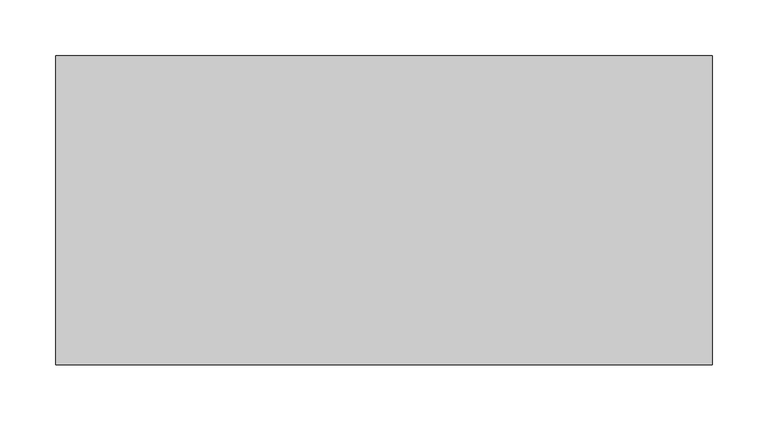
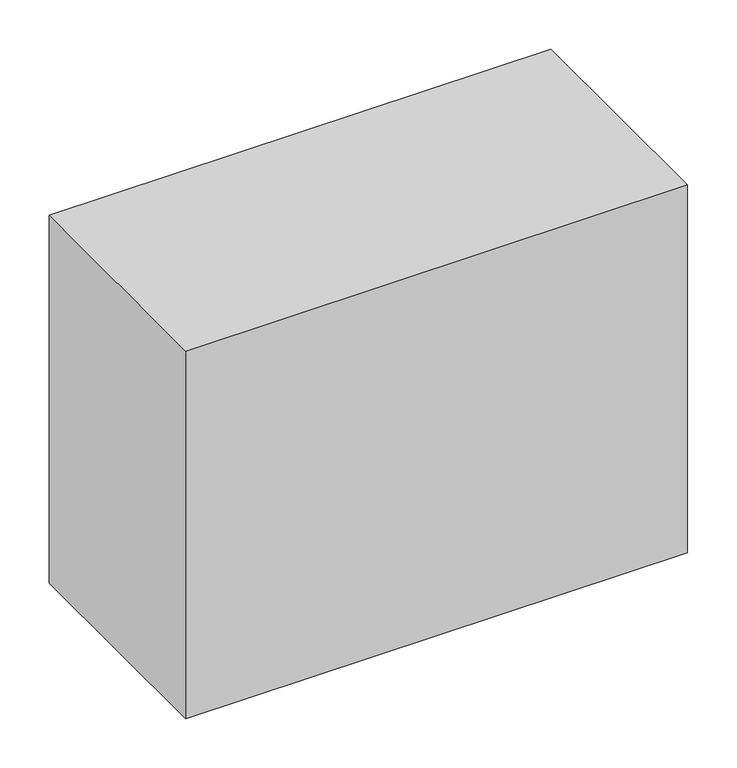
"""IFC4 building model written with IfcOpenShell, lengths in millimetres: proxy geometry."""

import ifcopenshell
import ifcopenshell.guid

model = None  # the IFC model being written
_history = None  # IfcOwnerHistory: only IFC2X3 demands one
_inside = {}  # id of a spatial element -> (the spatial element, [elements in it])
_under = {}  # id of a project, library or spatial element -> (it, [spatial elements below it])
_declared = {}  # id of a project -> (the project, [libraries it declares])
_typed = {}  # id of a type object -> (the type object, [elements of that type])
_made_of = {}  # id of a material, layer set ... -> (it, [elements and type objects made of it])


def new_model(schema):
    """Start an empty IFC model of exactly this schema.

    Asked for "IFC4X3", IfcOpenShell would pick the latest addendum, in which some entities
    have other attributes; the version numbers below select the first issue.
    IFC2X3 requires an IfcOwnerHistory on every rooted entity: one is made here for all.
    """
    global model, _history
    if schema == "IFC4X3":
        model = ifcopenshell.file(schema_version=(4, 3, 0, 0))
    else:
        model = ifcopenshell.file(schema=schema)
    _inside.clear()
    _under.clear()
    _declared.clear()
    _typed.clear()
    _made_of.clear()
    _history = None
    if model.schema == "IFC2X3":
        org = make("IfcOrganization", Name="unknown")
        user = make(
            "IfcPersonAndOrganization",
            ThePerson=make("IfcPerson", FamilyName="unknown"),
            TheOrganization=org,
        )
        app = make(
            "IfcApplication",
            ApplicationDeveloper=org,
            Version="unknown",
            ApplicationFullName="unknown",
            ApplicationIdentifier="unknown",
        )
        _history = make(
            "IfcOwnerHistory",
            OwningUser=user,
            OwningApplication=app,
            ChangeAction="ADDED",
            CreationDate=0,
        )
    return model


def make(cls, **values):
    """One entity of the class cls with the attributes given. An attribute that is None is left unset."""
    return model.create_entity(
        cls, **{name: value for name, value in values.items() if value is not None}
    )


def rooted(cls, **values):
    """An entity with a GlobalId (a new one), such as an element, a storey or a relation."""
    return make(cls, GlobalId=ifcopenshell.guid.new(), OwnerHistory=_history, **values)


def si_unit(unit_type, name, prefix=None):
    """IfcSIUnit, for example si_unit("LENGTHUNIT", "METRE", prefix="MILLI")."""
    return make("IfcSIUnit", UnitType=unit_type, Prefix=prefix, Name=name)


def assignment(units):
    """IfcUnitAssignment: the units of a project."""
    return None if units is None else make("IfcUnitAssignment", Units=units)


def point(xyz):
    """IfcCartesianPoint."""
    return None if xyz is None else make("IfcCartesianPoint", Coordinates=xyz)


def direction(xyz):
    """IfcDirection."""
    return None if xyz is None else make("IfcDirection", DirectionRatios=xyz)


def frame(location, z_axis=None, x_axis=None):
    """IfcAxis2Placement3D, a coordinate frame: its origin and axes. An axis left out is left unset."""
    return make(
        "IfcAxis2Placement3D",
        Location=point(location),
        Axis=direction(z_axis),
        RefDirection=direction(x_axis),
    )


def origin():
    """The frame at (0, 0, 0) with its axes left unset."""
    return frame((0.0, 0.0, 0.0))


def origin_with_axes():
    """The frame at (0, 0, 0) with the z axis (0, 0, 1) and the x axis (1, 0, 0) written out."""
    return frame((0.0, 0.0, 0.0), z_axis=(0.0, 0.0, 1.0), x_axis=(1.0, 0.0, 0.0))


def place(relative_to, where):
    """IfcLocalPlacement: puts the frame where relative to a parent placement (None: the world)."""
    return make(
        "IfcLocalPlacement", PlacementRelTo=relative_to, RelativePlacement=where
    )


def context(
    kind, dimensions, precision=None, world=None, true_north=None, identifier=None
):
    """IfcGeometricRepresentationContext, for example the 3D "Model" context."""
    return make(
        "IfcGeometricRepresentationContext",
        ContextIdentifier=identifier,
        ContextType=kind,
        CoordinateSpaceDimension=dimensions,
        Precision=precision,
        WorldCoordinateSystem=world,
        TrueNorth=true_north,
    )


def project(units=None, contexts=None):
    """IfcProject with its units and contexts."""
    return rooted(
        "IfcProject",
        Name="project",
        RepresentationContexts=contexts,
        UnitsInContext=assignment(units),
    )


def spatial(cls, under=None, at=None, **own):
    """A site, building, storey or space (cls), placed at a placement, below another one or the project."""
    s = rooted(cls, ObjectPlacement=at, **own)
    if under is not None:
        _under.setdefault(under.id(), (under, []))[1].append(s)
    return s


def polyline(points):
    """IfcPolyline through the points."""
    return make("IfcPolyline", Points=[point(p) for p in points])


def outline(outer, holes=None, kind="AREA"):
    """IfcArbitraryClosedProfileDef: a profile drawn as a closed curve; with holes, ...WithVoids."""
    if holes is None:
        return make("IfcArbitraryClosedProfileDef", ProfileType=kind, OuterCurve=outer)
    return make(
        "IfcArbitraryProfileDefWithVoids",
        ProfileType=kind,
        OuterCurve=outer,
        InnerCurves=holes,
    )


def extrude(swept, where, along, depth):
    """IfcExtrudedAreaSolid: the profile swept, set in the frame where, extruded along a direction by depth."""
    return make(
        "IfcExtrudedAreaSolid",
        SweptArea=swept,
        Position=where,
        ExtrudedDirection=direction(along),
        Depth=depth,
    )


def shape(context_of_items, identifier, shape_type, items):
    """IfcShapeRepresentation: the items that make up one representation, for example the "Body"."""
    return make(
        "IfcShapeRepresentation",
        ContextOfItems=context_of_items,
        RepresentationIdentifier=identifier,
        RepresentationType=shape_type,
        Items=items,
    )


def source(mapping_origin, context_of_items, identifier, shape_type, items):
    """IfcRepresentationMap: a shape defined once, which mapped items show again and again."""
    return make(
        "IfcRepresentationMap",
        MappingOrigin=mapping_origin,
        MappedRepresentation=shape(context_of_items, identifier, shape_type, items),
    )


def transform(
    local_origin,
    x_axis=None,
    y_axis=None,
    z_axis=None,
    scale=None,
    scale2=None,
    scale3=None,
    uniform=True,
):
    """IfcCartesianTransformationOperator3D, or its non-uniform kind. x_axis, y_axis, z_axis: its Axis1, 2, 3."""
    if uniform:
        return make(
            "IfcCartesianTransformationOperator3D",
            Axis1=direction(x_axis),
            Axis2=direction(y_axis),
            LocalOrigin=point(local_origin),
            Scale=scale,
            Axis3=direction(z_axis),
        )
    return make(
        "IfcCartesianTransformationOperator3DnonUniform",
        Axis1=direction(x_axis),
        Axis2=direction(y_axis),
        LocalOrigin=point(local_origin),
        Scale=scale,
        Axis3=direction(z_axis),
        Scale2=scale2,
        Scale3=scale3,
    )


def mapped(mapping_source, mapping_target):
    """IfcMappedItem: shows the shape of a source again, moved by a transform."""
    return make(
        "IfcMappedItem", MappingSource=mapping_source, MappingTarget=mapping_target
    )


def made_of(thing, what):
    """Note that an element or type object is made of a material, layer set ...; save() writes the relation."""
    if what is not None:
        _made_of.setdefault(what.id(), (what, []))[1].append(thing)
    return thing


def element(
    cls,
    number,
    at=None,
    inside=None,
    cuts=None,
    type_object=None,
    material=None,
    context=None,
    identifier="Body",
    shape_type=None,
    held_by="IfcProductDefinitionShape",
    body=None,
    shapes=None,
    **own,
):
    """One element of the class cls, such as IfcWall. Its Tag is "e" and its number.

    at: its placement. inside: the storey or other place that contains it. cuts: it is an
    opening in that element (IfcRelVoidsElement). A single representation is given by context,
    identifier, shape_type and body (its items); several are given by shapes. held_by: the class
    of the entity that holds the representations. save() writes the other relations.
    """
    e = rooted(cls, Tag="e%d" % number, ObjectPlacement=at, **own)
    if body is not None:
        shapes = [shape(context, identifier, shape_type, body)]
    if shapes is not None:
        e.Representation = make(held_by, Representations=shapes)
    if inside is not None:
        _inside.setdefault(inside.id(), (inside, []))[1].append(e)
    if cuts is not None:
        rooted(
            "IfcRelVoidsElement", RelatingBuildingElement=cuts, RelatedOpeningElement=e
        )
    if type_object is not None:
        _typed.setdefault(type_object.id(), (type_object, []))[1].append(e)
    return made_of(e, material)


def aggregate(whole, parts):
    """IfcRelAggregates: a whole, such as a stair, and the parts it consists of."""
    return rooted("IfcRelAggregates", RelatingObject=whole, RelatedObjects=parts)


def save(model, path):
    """Write the relations noted so far, then the file.

    IfcRelAggregates (storeys below a building ...), IfcRelContainedInSpatialStructure (elements
    in a storey), IfcRelDefinesByType, IfcRelAssociatesMaterial and IfcRelDeclares: one each for
    every whole, place, type object, material and project.
    """
    for whole, parts in _under.values():
        aggregate(whole, parts)
    for where, things in _inside.values():
        rooted(
            "IfcRelContainedInSpatialStructure",
            RelatedElements=things,
            RelatingStructure=where,
        )
    for kind, things in _typed.values():
        rooted("IfcRelDefinesByType", RelatedObjects=things, RelatingType=kind)
    for what, things in _made_of.values():
        rooted("IfcRelAssociatesMaterial", RelatedObjects=things, RelatingMaterial=what)
    for by, libraries in _declared.values():
        rooted("IfcRelDeclares", RelatingContext=by, RelatedDefinitions=libraries)
    model.write(path)


def specialty_equipment_884f149c(model_context):
    return source(origin(), model_context, "Body", "SweptSolid", [
        extrude(outline(polyline([(-295.275, 278.13), (295.275, 278.13), (295.275, 0.0), (-295.275, 0.0), (-295.275, 278.13)])), origin_with_axes(), (0.0, 0.0, 1.0), 457.2),
    ])


if __name__ == "__main__":
    model = new_model("IFC4")
    model_context = context("Model", 3, world=origin())
    ifc_project = project(units=[si_unit("LENGTHUNIT", "METRE", prefix="MILLI")], contexts=[model_context])
    site = spatial("IfcSite", under=ifc_project)
    building = spatial("IfcBuilding", under=site)
    placement = place(None, origin())
    specialty_equipment_shape = specialty_equipment_884f149c(model_context)
    element("IfcBuildingElementProxy", 1, Name="Specialty Equipment", at=placement, inside=building, context=model_context, shape_type="MappedRepresentation", body=[
        mapped(specialty_equipment_shape, transform((0.0, 0.0, 0.0), x_axis=(1.0, 0.0, 0.0), y_axis=(0.0, 1.0, 0.0), z_axis=(0.0, 0.0, 1.0))),
    ])
    save(model, "model.ifc")
